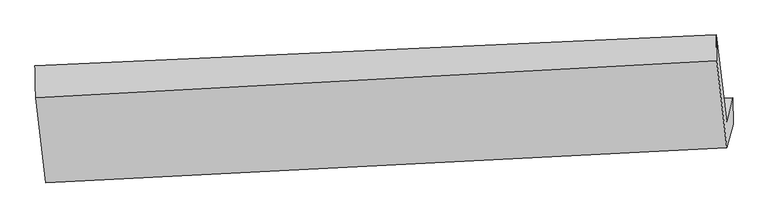
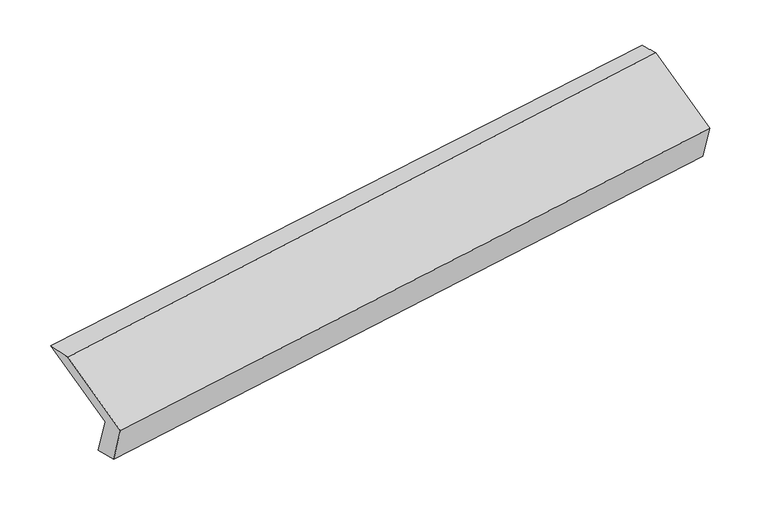
"""IFC4 building model written with IfcOpenShell, lengths in millimetres: proxy geometry."""

from ifc_helpers import new_model, si_unit, frame, origin, place, context, project, spatial, source, transform, mapped, element, save
from ifc_brep_helpers import plane_surface, spline_surface, advanced_brep


def generic_models_bbdc299b(model_context):
    return source(origin(), model_context, "Body", "AdvancedBrep", [
        advanced_brep(
        [(-5173.9871936, -1610.4541954, 1233.7686431), (-5217.4325286, -1776.3535075, 1584.1682561), (-489.6966578, -1555.4294217, 2274.9487634), (-446.2513229, -1389.5301096, 1924.5491504), (-5170.7665045, -1812.4248562, 1278.7991548), (-444.1296232, -1571.3789786, 1970.3845121), (-5214.2118394, -1978.3241683, 1629.1987678), (-487.273675, -1736.127818, 2318.3541863), (-5282.8976279, -1387.4404649, 1900.4408563), (-557.6306395, -1130.8674771, 2596.1957954), (-5288.2194937, -1167.3939969, 1863.7079498), (-559.734056, -952.9182161, 2551.5283962)],
        [
            (0, 1),
            (1, 2),
            (2, 3),
            (3, 0),
            (4, 0),
            (3, 5),
            (5, 4),
            (6, 4),
            (5, 7),
            (7, 6),
            (8, 6),
            (7, 9),
            (9, 8),
            (10, 8),
            (9, 11),
            (11, 10),
            (1, 10),
            (11, 2),
        ],
        [
            plane_surface(frame((-5195.7098611, -1693.4038514, 1408.9684496), z_axis=(-0.10290363695183191, 0.903893229701632, 0.41519618351044413), x_axis=(-0.11136536317266318, -0.42525709955917074, 0.8981949427379017))),
            spline_surface(1, 1, [[(-5170.7665045, -1812.4248562, 1278.7991548), (-444.1296232, -1571.3789786, 1970.3845121)], [(-5173.9871936, -1610.4541954, 1233.7686431), (-446.2513229, -1389.5301096, 1924.5491504)]], [2, 2], [2, 2], [0.0, 1.0], [0.0, 1.0]),
            plane_surface(frame((-5192.489172, -1895.3745123, 1453.9989613), z_axis=(0.10675391265287057, -0.9037064118614212, -0.4146303453606104), x_axis=(0.11136536317268518, 0.42525709955921387, -0.8981949427378786))),
            plane_surface(frame((-5248.5547337, -1682.8823166, 1764.8198121), z_axis=(-0.10921287321271703, -0.42515120320648153, 0.8985093225652724), x_axis=(0.10505883473431937, -0.90379035812166, -0.4148802596058154))),
            spline_surface(1, 1, [[(-5288.2194937, -1167.3939969, 1863.7079498), (-559.734056, -952.9182161, 2551.5283962)], [(-5282.8976279, -1387.4404649, 1900.4408563), (-557.6306395, -1130.8674771, 2596.1957954)]], [2, 2], [2, 2], [0.0, 1.0], [0.0, 1.0]),
            plane_surface(frame((-5252.8260111, -1471.8737522, 1723.938103), z_axis=(0.11136536317268424, 0.4252570995592133, -0.898194942737879), x_axis=(-0.10505883473431701, 0.9037903581216636, 0.41488025960580804))),
            plane_surface(frame((-497.4526624, -1389.3753368, 2272.660134), z_axis=(0.9882107048244739, 0.048160023264120694, 0.1453279568063773), x_axis=(0.10505883473431937, -0.90379035812166, -0.4148802596058154))),
            plane_surface(frame((-5224.5858646, -1622.0651982, 1581.6806047), z_axis=(-0.9882107048244784, -0.04816002326410911, -0.14532795680634963), x_axis=(0.11136536317266467, 0.42525709955921553, -0.8981949427378803))),
        ],
        [
            (0, [[1, 2, 3, 4]]),
            (1, [[5, -4, 6, 7]]),
            (2, [[8, -7, 9, 10]]),
            (3, [[11, -10, 12, 13]]),
            (4, [[14, -13, 15, 16]]),
            (5, [[17, -16, 18, -2]]),
            (6, [[-12, -9, -6, -3, -18, -15]]),
            (7, [[-1, -5, -8, -11, -14, -17]]),
        ],
    ),
    ])


if __name__ == "__main__":
    model = new_model("IFC4")
    model_context = context("Model", 3, world=origin())
    ifc_project = project(units=[si_unit("LENGTHUNIT", "METRE", prefix="MILLI")], contexts=[model_context])
    site = spatial("IfcSite", under=ifc_project)
    building = spatial("IfcBuilding", under=site)
    placement = place(None, origin())
    generic_models_shape = generic_models_bbdc299b(model_context)
    element("IfcBuildingElementProxy", 1, Name="Generic Models", at=placement, inside=building, context=model_context, shape_type="MappedRepresentation", body=[
        mapped(generic_models_shape, transform((0.0, 0.0, 0.0), x_axis=(1.0, 0.0, 0.0), y_axis=(0.0, 1.0, 0.0), z_axis=(0.0, 0.0, 1.0))),
    ])
    save(model, "model.ifc")
